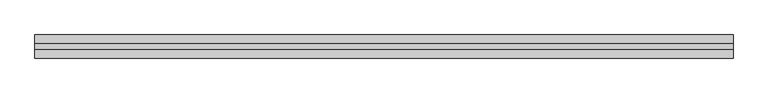
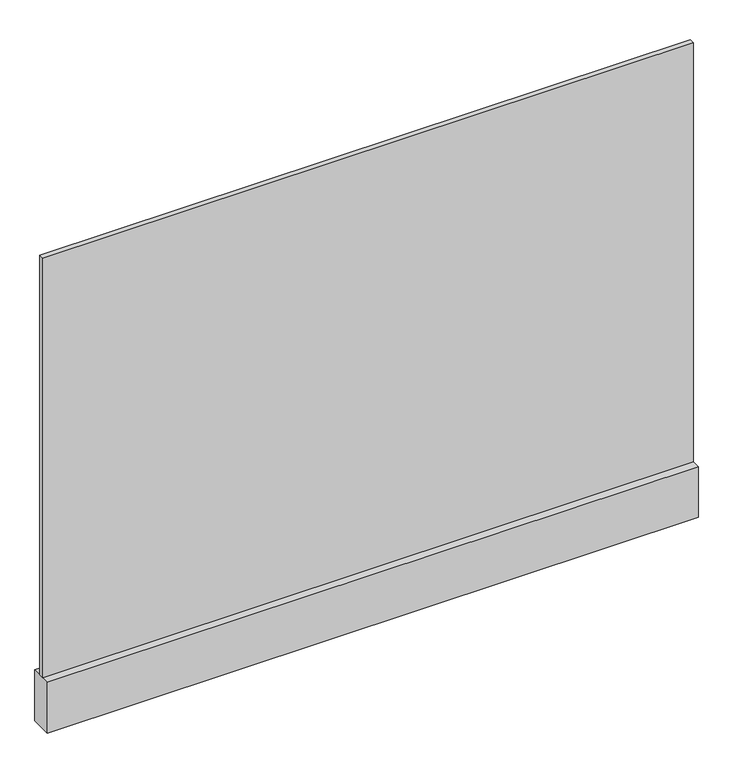
"""IFC4 building model written with IfcOpenShell, lengths in millimetres: plate geometry."""

from ifc_helpers import new_model, si_unit, frame, origin, origin_with_axes, place, context, project, spatial, polyline, outline, extrude, source, transform, mapped, element, save


def plate_257e4bb4(model_context):
    return source(origin(), model_context, "Body", "SweptSolid", [
        extrude(outline(polyline([(-605.9309555, -5.0), (-605.9309555, 5.0), (605.9309555, 5.0), (605.9309555, -5.0), (-605.9309555, -5.0)])), frame((0.0, 0.0, 100.0), z_axis=(0.0, 0.0, 1.0), x_axis=(1.0, 0.0, 0.0)), (0.0, 0.0, 1.0), 825.0),
        extrude(outline(polyline([(-605.9309555, -20.0), (-605.9309555, 20.0), (605.9309555, 20.0), (605.9309555, -20.0), (-605.9309555, -20.0)])), origin_with_axes(), (0.0, 0.0, 1.0), 100.0),
    ])


if __name__ == "__main__":
    model = new_model("IFC4")
    model_context = context("Model", 3, world=origin())
    ifc_project = project(units=[si_unit("LENGTHUNIT", "METRE", prefix="MILLI")], contexts=[model_context])
    site = spatial("IfcSite", under=ifc_project)
    building = spatial("IfcBuilding", under=site)
    placement = place(None, origin())
    plate_shape = plate_257e4bb4(model_context)
    element("IfcPlate", 1, at=placement, inside=building, context=model_context, shape_type="MappedRepresentation", body=[
        mapped(plate_shape, transform((0.0, 0.0, 0.0), x_axis=(1.0, 0.0, 0.0), y_axis=(0.0, 1.0, 0.0), z_axis=(0.0, 0.0, 1.0))),
    ])
    save(model, "model.ifc")
